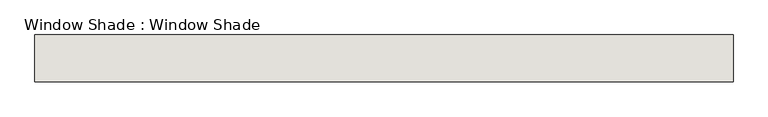
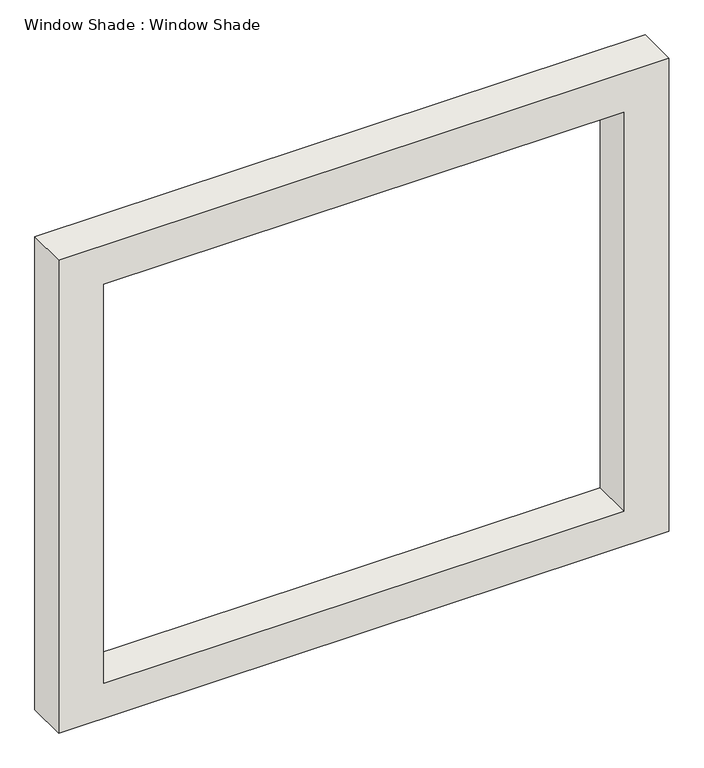
"""IFC4 building model written with IfcOpenShell, lengths in millimetres: wall geometry, Window Shade : Window Shade."""

from ifc_helpers import new_model, si_unit, frame, origin, place, context, project, spatial, polyline, outline, extrude, source, transform, mapped, element, save


def window_shade_window_shade_60a7ed7f(model_context):
    return source(origin(), model_context, "Body", "SweptSolid", [
        extrude(outline(polyline([(2152.65, 8426.2909002), (2152.65, 6533.9909002), (603.25, 6533.9909002), (603.25, 8426.2909002), (2152.65, 8426.2909002)]), holes=[polyline([(2025.65, 8286.5909002), (717.55, 8286.5909002), (717.55, 6673.6909002), (2025.65, 6673.6909002), (2025.65, 8286.5909002)])]), frame((0.0, -15471.0114294, 0.0), z_axis=(0.0, 1.0, 0.0), x_axis=(0.0, 0.0, 1.0)), (0.0, 0.0, 1.0), 127.0),
    ])


if __name__ == "__main__":
    model = new_model("IFC4")
    model_context = context("Model", 3, world=origin())
    ifc_project = project(units=[si_unit("LENGTHUNIT", "METRE", prefix="MILLI")], contexts=[model_context])
    site = spatial("IfcSite", under=ifc_project)
    building = spatial("IfcBuilding", under=site)
    placement = place(None, origin())
    window_shade_window_shade_shape = window_shade_window_shade_60a7ed7f(model_context)
    element("IfcWall", 1, ObjectType="Window Shade : Window Shade", at=placement, inside=building, context=model_context, shape_type="MappedRepresentation", body=[
        mapped(window_shade_window_shade_shape, transform((0.0, 0.0, 0.0), x_axis=(1.0, 0.0, 0.0), y_axis=(0.0, 1.0, 0.0), z_axis=(0.0, 0.0, 1.0))),
    ])
    save(model, "model.ifc")
